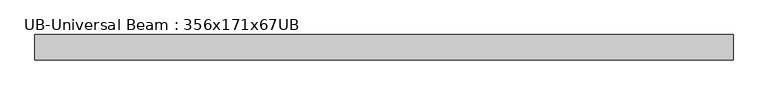
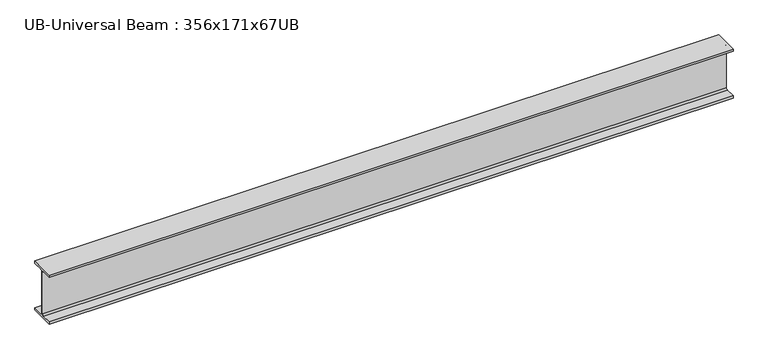
"""IFC4 building model written with IfcOpenShell, lengths in millimetres: beam geometry, UB-Universal Beam : 356x171x67UB."""

from ifc_helpers import new_model, si_unit, point, frame, frame_2d, origin, place, context, project, spatial, polyline, circle_curve, trimmed, segment, composite_curve, outline, extrude, source, transform, mapped, element, save


def ub_universal_beam_356x171x67ub_1674ccb5(model_context):
    return source(origin(), model_context, "Body", "SweptSolid", [
        extrude(outline(composite_curve([segment(polyline([(86.6, -166.0), (86.6, -181.7), (-86.6, -181.7), (-86.6, -166.0), (-14.75, -166.0)]), True, "CONTINUOUS"), segment(trimmed(circle_curve(frame_2d((-14.75, -155.8)), 10.2), [point((-14.75, -166.0))], [point((-4.55, -155.8))], True, "CARTESIAN"), True, "CONTINUOUS"), segment(polyline([(-4.55, -155.8), (-4.55, 155.8)]), True, "CONTINUOUS"), segment(trimmed(circle_curve(frame_2d((-14.75, 155.8)), 10.2), [point((-4.55, 155.8))], [point((-14.75, 166.0))], True, "CARTESIAN"), True, "CONTINUOUS"), segment(polyline([(-14.75, 166.0), (-86.6, 166.0), (-86.6, 181.7), (86.6, 181.7), (86.6, 166.0), (14.75, 166.0)]), True, "CONTINUOUS"), segment(trimmed(circle_curve(frame_2d((14.75, 155.8)), 10.2), [point((14.75, 166.0))], [point((4.55, 155.8))], True, "CARTESIAN"), True, "CONTINUOUS"), segment(polyline([(4.55, 155.8), (4.55, -155.8)]), True, "CONTINUOUS"), segment(trimmed(circle_curve(frame_2d((14.75, -155.8)), 10.2), [point((4.55, -155.8))], [point((14.75, -166.0))], True, "CARTESIAN"), True, "CONTINUOUS"), segment(polyline([(14.75, -166.0), (86.6, -166.0)]), True, "CONTINUOUS")], self_intersect=False)), frame((-2314.7772451, 0.0, 0.0), z_axis=(1.0, 0.0, 0.0), x_axis=(0.0, 1.0, 0.0)), (0.0, 0.0, 1.0), 4795.384885),
    ])


if __name__ == "__main__":
    model = new_model("IFC4")
    model_context = context("Model", 3, world=origin())
    ifc_project = project(units=[si_unit("LENGTHUNIT", "METRE", prefix="MILLI")], contexts=[model_context])
    site = spatial("IfcSite", under=ifc_project)
    building = spatial("IfcBuilding", under=site)
    placement = place(None, origin())
    ub_universal_beam_356x171x67ub_shape = ub_universal_beam_356x171x67ub_1674ccb5(model_context)
    element("IfcBeam", 1, ObjectType="UB-Universal Beam : 356x171x67UB", at=placement, inside=building, context=model_context, shape_type="MappedRepresentation", body=[
        mapped(ub_universal_beam_356x171x67ub_shape, transform((0.0, 0.0, 0.0), x_axis=(1.0, 0.0, 0.0), y_axis=(0.0, 1.0, 0.0), z_axis=(0.0, 0.0, 1.0))),
    ])
    save(model, "model.ifc")
